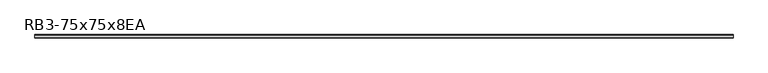
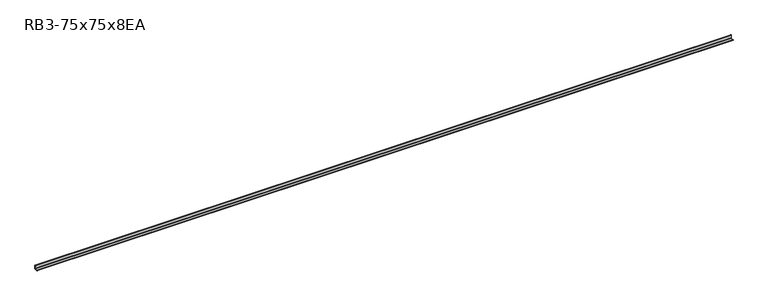
"""IFC4 building model written with IfcOpenShell, lengths in millimetres: member geometry, RB3-75x75x8EA."""

from ifc_helpers import new_model, si_unit, point, frame, frame_2d, origin, place, context, project, spatial, polyline, circle_curve, trimmed, segment, composite_curve, outline, extrude, source, transform, mapped, element, save


def rb3_75x75x8ea_ecc9160c(model_context):
    return source(origin(), model_context, "Body", "SweptSolid", [
        extrude(outline(composite_curve([segment(polyline([(21.3, -21.3), (-53.7, -21.3), (-53.7, -18.3)]), True, "CONTINUOUS"), segment(trimmed(circle_curve(frame_2d((-48.7, -18.3)), 5.0), [point((-53.7, -18.3))], [point((-48.7, -13.3))], False, "CARTESIAN"), True, "CONTINUOUS"), segment(polyline([(-48.7, -13.3), (5.3, -13.3)]), True, "CONTINUOUS"), segment(trimmed(circle_curve(frame_2d((5.3, -5.3)), 8.0), [point((5.3, -13.3))], [point((13.3, -5.3))], True, "CARTESIAN"), True, "CONTINUOUS"), segment(polyline([(13.3, -5.3), (13.3, 48.7)]), True, "CONTINUOUS"), segment(trimmed(circle_curve(frame_2d((18.3, 48.7)), 5.0), [point((13.3, 48.7))], [point((18.3, 53.7))], False, "CARTESIAN"), True, "CONTINUOUS"), segment(polyline([(18.3, 53.7), (21.3, 53.7), (21.3, -21.3)]), True, "CONTINUOUS")], self_intersect=False)), frame((-7387.5, 0.0, 0.0), z_axis=(1.0, 0.0, 0.0), x_axis=(0.0, 1.0, 0.0)), (0.0, 0.0, 1.0), 14594.0),
    ])


if __name__ == "__main__":
    model = new_model("IFC4")
    model_context = context("Model", 3, world=origin())
    ifc_project = project(units=[si_unit("LENGTHUNIT", "METRE", prefix="MILLI")], contexts=[model_context])
    site = spatial("IfcSite", under=ifc_project)
    building = spatial("IfcBuilding", under=site)
    placement = place(None, origin())
    rb3_75x75x8ea_shape = rb3_75x75x8ea_ecc9160c(model_context)
    element("IfcMember", 1, ObjectType="RB3-75x75x8EA", at=placement, inside=building, context=model_context, shape_type="MappedRepresentation", body=[
        mapped(rb3_75x75x8ea_shape, transform((0.0, 0.0, 0.0), x_axis=(1.0, 0.0, 0.0), y_axis=(0.0, 1.0, 0.0), z_axis=(0.0, 0.0, 1.0))),
    ])
    save(model, "model.ifc")
